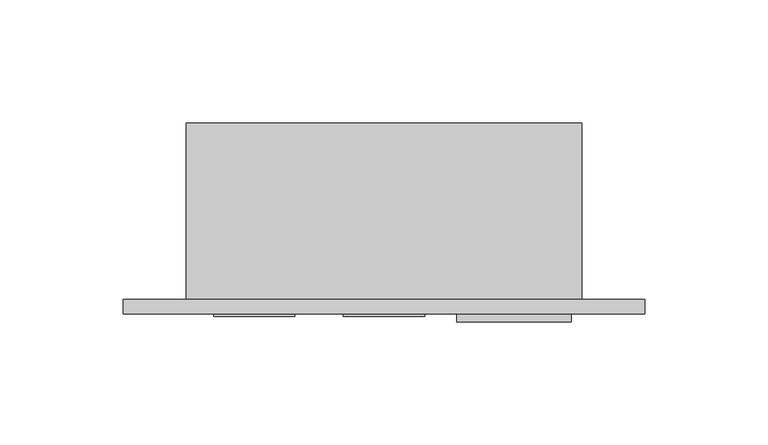
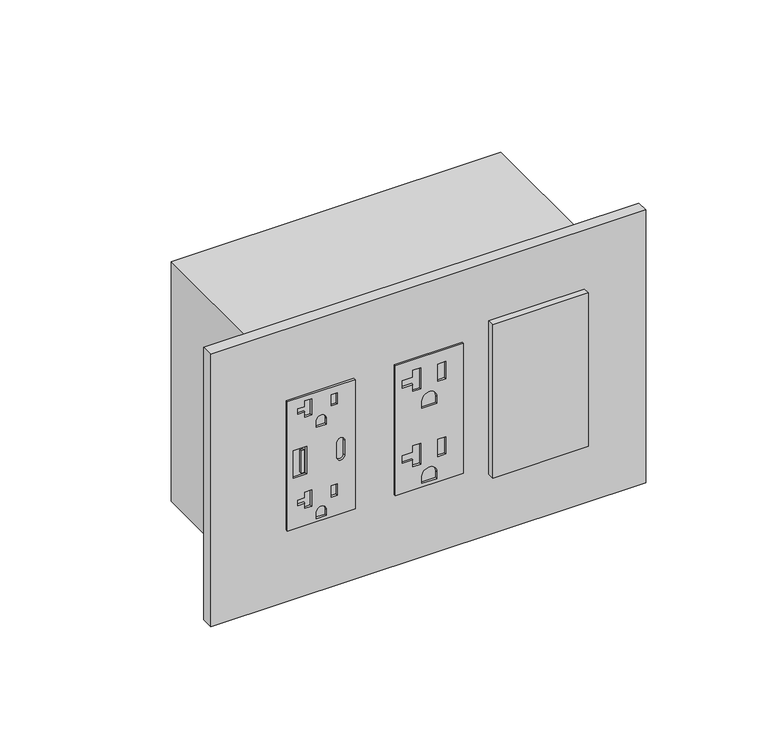
"""IFC4 building model written with IfcOpenShell, lengths in millimetres: proxy geometry."""

from ifc_helpers import new_model, si_unit, point, frame, frame_2d, origin, place, context, project, spatial, polyline, circle_curve, trimmed, segment, composite_curve, outline, extrude, source, transform, mapped, element, save


def electrical_fixtures_cc8c5b9d(model_context):
    return source(origin(), model_context, "Body", "SweptSolid", [
        extrude(outline(polyline([(414.274, 11.0998), (347.726, 11.0998), (347.726, 44.0944), (414.274, 44.0944), (414.274, 11.0998)]), holes=[polyline([(388.0485, 14.0236066), (388.0485, 20.5246617), (373.9515, 20.5246617), (373.9515, 14.0236066), (388.0485, 14.0236066)]), composite_curve([segment(trimmed(circle_curve(frame_2d((384.7846, 37.1348)), 1.905), [point((384.7846, 35.2298))], [point((384.7846, 39.0398))], True, "CARTESIAN"), True, "CONTINUOUS"), segment(polyline([(384.7846, 39.0398), (377.2154, 39.0398)]), True, "CONTINUOUS"), segment(trimmed(circle_curve(frame_2d((377.2154, 37.1348)), 1.905), [point((377.2154, 39.0398))], [point((377.2154, 35.2298))], True, "CARTESIAN"), True, "CONTINUOUS"), segment(polyline([(377.2154, 35.2298), (384.7846, 35.2298)]), True, "CONTINUOUS")], self_intersect=False), composite_curve([segment(polyline([(349.25, 30.0609), (349.25, 25.1333), (352.3488, 25.1333)]), True, "CONTINUOUS"), segment(trimmed(circle_curve(frame_2d((352.3488, 27.5971)), 2.4638), [point((352.3488, 25.1333))], [point((352.3488, 30.0609))], True, "CARTESIAN"), True, "CONTINUOUS"), segment(polyline([(352.3488, 30.0609), (349.25, 30.0609)]), True, "CONTINUOUS")], self_intersect=False), polyline([(364.8202, 22.9616), (356.5211661, 22.9616), (356.5211661, 19.6342), (359.2043639, 19.6342), (359.2043639, 16.1036), (361.9419812, 16.1036), (361.9419812, 19.6342), (364.8202, 19.6342), (364.8202, 22.9616)]), composite_curve([segment(polyline([(396.24, 25.1333), (399.3388, 25.1333)]), True, "CONTINUOUS"), segment(trimmed(circle_curve(frame_2d((399.3388, 27.5971)), 2.4638), [point((399.3388, 25.1333))], [point((399.3388, 30.0609))], True, "CARTESIAN"), True, "CONTINUOUS"), segment(polyline([(399.3388, 30.0609), (396.24, 30.0609), (396.24, 25.1333)]), True, "CONTINUOUS")], self_intersect=False), polyline([(404.7574649, 32.4358), (410.5806175, 32.4358), (410.5806175, 35.41014), (404.7574649, 35.41014), (404.7574649, 32.4358)]), polyline([(357.7674649, 32.4358), (363.5906175, 32.4358), (363.5906175, 35.41014), (357.7674649, 35.41014), (357.7674649, 32.4358)]), polyline([(411.8102, 22.9616), (403.5111661, 22.9616), (403.5111661, 19.6342), (406.1943639, 19.6342), (406.1943639, 16.1036), (408.9319812, 16.1036), (408.9319812, 19.6342), (411.8102, 19.6342), (411.8102, 22.9616)])]), frame((0.0, -6.9294746, 0.0), z_axis=(0.0, 1.0, 0.0), x_axis=(0.0, 0.0, 1.0)), (0.0, 0.0, 1.0), 1.0366746),
        extrude(outline(polyline([(19.314835, -6.9294746), (17.7939058, -6.9294746), (17.7939058, -5.8928), (19.314835, -5.8928), (19.314835, -6.9294746)])), frame((0.0, 0.0, 375.2741546), z_axis=(0.0, 0.0, 1.0), x_axis=(1.0, 0.0, 0.0)), (0.0, 0.0, 1.0), 11.4436352),
        extrude(outline(polyline([(414.4772, 96.7613), (414.4772, 63.7667), (347.5228, 63.7667), (347.5228, 96.7613), (414.4772, 96.7613)]), holes=[polyline([(409.0924, 76.1111), (398.272, 76.1111), (398.272, 72.2757), (401.7518, 72.2757), (401.7518, 67.1703), (405.6126, 67.1703), (405.6126, 72.2757), (409.0924, 72.2757), (409.0924, 76.1111)]), polyline([(408.1145, 88.2777), (399.2499, 88.2777), (399.2499, 84.4423), (408.1145, 84.4423), (408.1145, 88.2777)]), composite_curve([segment(polyline([(388.0866, 83.8962), (388.0866, 76.6318), (391.7188, 76.6318)]), True, "CONTINUOUS"), segment(trimmed(circle_curve(frame_2d((391.7188, 80.264)), 3.6322), [point((391.7188, 76.6318))], [point((391.7188, 83.8962))], True, "CARTESIAN"), True, "CONTINUOUS"), segment(polyline([(391.7188, 83.8962), (388.0866, 83.8962)]), True, "CONTINUOUS")], self_intersect=False), polyline([(370.3574, 76.1111), (359.537, 76.1111), (359.537, 72.2757), (363.0168, 72.2757), (363.0168, 67.1703), (366.8776, 67.1703), (366.8776, 72.2757), (370.3574, 72.2757), (370.3574, 76.1111)]), polyline([(369.3795, 88.2777), (360.5149, 88.2777), (360.5149, 84.4423), (369.3795, 84.4423), (369.3795, 88.2777)]), composite_curve([segment(polyline([(349.3516, 83.8962), (349.3516, 76.6318), (352.9838, 76.6318)]), True, "CONTINUOUS"), segment(trimmed(circle_curve(frame_2d((352.9838, 80.264)), 3.6322), [point((352.9838, 76.6318))], [point((352.9838, 83.8962))], True, "CARTESIAN"), True, "CONTINUOUS"), segment(polyline([(352.9838, 83.8962), (349.3516, 83.8962)]), True, "CONTINUOUS")], self_intersect=False)]), frame((0.0, -6.9294746, 0.0), z_axis=(0.0, 1.0, 0.0), x_axis=(0.0, 0.0, 1.0)), (0.0, 0.0, 1.0), 1.0366746),
        extrude(outline(polyline([(109.8296, -5.8928), (156.3624, -5.8928), (156.3624, -9.0678), (109.8296, -9.0678), (109.8296, -5.8928)])), frame((0.0, 0.0, 341.7922742), z_axis=(0.0, 0.0, 1.0), x_axis=(1.0, 0.0, 0.0)), (0.0, 0.0, 1.0), 79.0448),
        extrude(outline(polyline([(-25.6794, 0.0), (186.2074, 0.0), (186.2074, -5.8928), (-25.6794, -5.8928), (-25.6794, 0.0)])), frame((0.0, 0.0, 310.8198), z_axis=(0.0, 0.0, 1.0), x_axis=(1.0, 0.0, 0.0)), (0.0, 0.0, 1.0), 140.3604),
        extrude(outline(polyline([(160.528, 0.0), (0.0, 0.0), (0.0, 71.7296), (160.528, 71.7296), (160.528, 0.0)])), frame((0.0, 0.0, 319.2526), z_axis=(0.0, 0.0, 1.0), x_axis=(1.0, 0.0, 0.0)), (0.0, 0.0, 1.0), 123.4948),
    ])


if __name__ == "__main__":
    model = new_model("IFC4")
    model_context = context("Model", 3, world=origin())
    ifc_project = project(units=[si_unit("LENGTHUNIT", "METRE", prefix="MILLI")], contexts=[model_context])
    site = spatial("IfcSite", under=ifc_project)
    building = spatial("IfcBuilding", under=site)
    placement = place(None, origin())
    electrical_fixtures_shape = electrical_fixtures_cc8c5b9d(model_context)
    element("IfcBuildingElementProxy", 1, Name="Electrical Fixtures", at=placement, inside=building, context=model_context, shape_type="MappedRepresentation", body=[
        mapped(electrical_fixtures_shape, transform((0.0, 0.0, 0.0), x_axis=(1.0, 0.0, 0.0), y_axis=(0.0, 1.0, 0.0), z_axis=(0.0, 0.0, 1.0))),
    ])
    save(model, "model.ifc")
